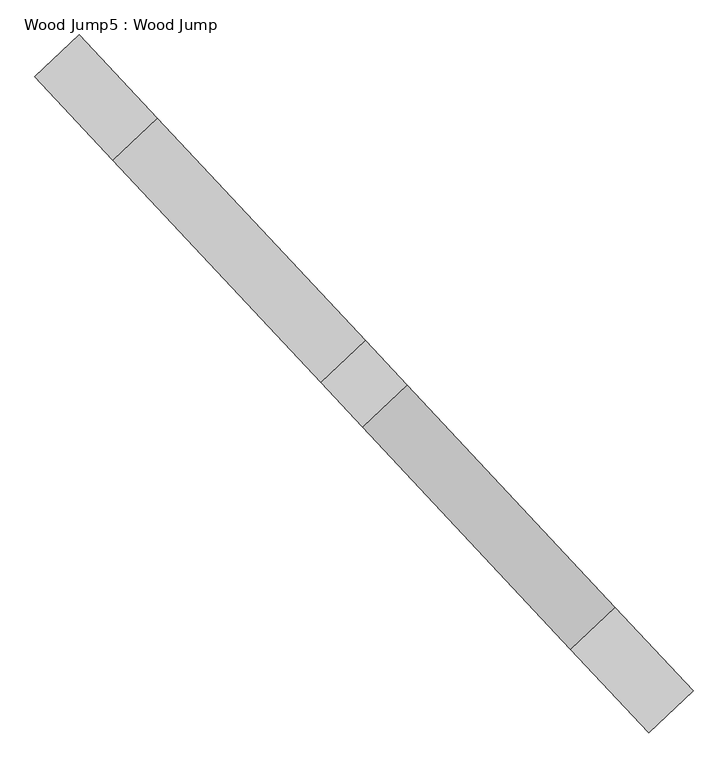
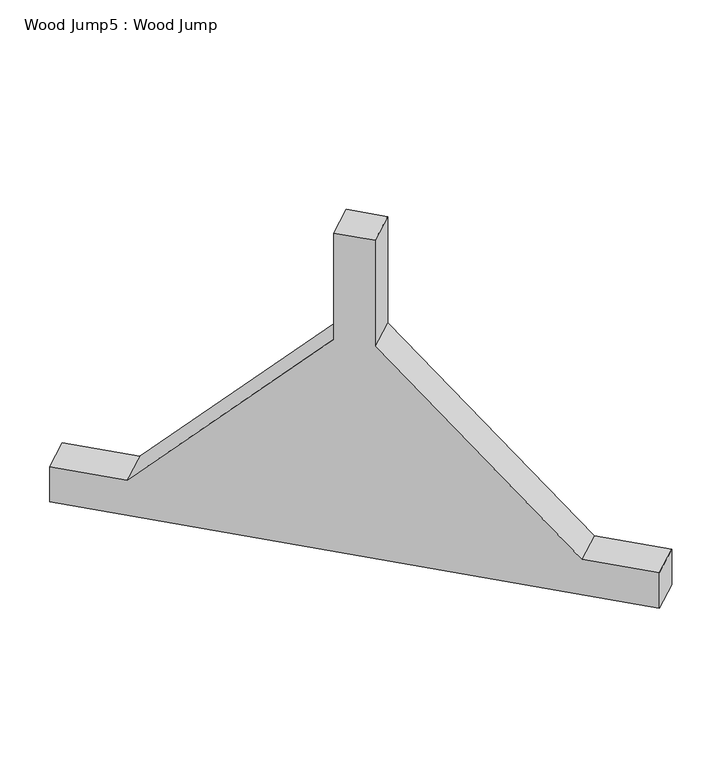
"""IFC4 building model written with IfcOpenShell, lengths in millimetres: proxy geometry, Wood Jump5 : Wood Jump."""

import ifcopenshell
import ifcopenshell.guid

model = None  # the IFC model being written
_history = None  # IfcOwnerHistory: only IFC2X3 demands one
_inside = {}  # id of a spatial element -> (the spatial element, [elements in it])
_under = {}  # id of a project, library or spatial element -> (it, [spatial elements below it])
_declared = {}  # id of a project -> (the project, [libraries it declares])
_typed = {}  # id of a type object -> (the type object, [elements of that type])
_made_of = {}  # id of a material, layer set ... -> (it, [elements and type objects made of it])


def new_model(schema):
    """Start an empty IFC model of exactly this schema.

    Asked for "IFC4X3", IfcOpenShell would pick the latest addendum, in which some entities
    have other attributes; the version numbers below select the first issue.
    IFC2X3 requires an IfcOwnerHistory on every rooted entity: one is made here for all.
    """
    global model, _history
    if schema == "IFC4X3":
        model = ifcopenshell.file(schema_version=(4, 3, 0, 0))
    else:
        model = ifcopenshell.file(schema=schema)
    _inside.clear()
    _under.clear()
    _declared.clear()
    _typed.clear()
    _made_of.clear()
    _history = None
    if model.schema == "IFC2X3":
        org = make("IfcOrganization", Name="unknown")
        user = make(
            "IfcPersonAndOrganization",
            ThePerson=make("IfcPerson", FamilyName="unknown"),
            TheOrganization=org,
        )
        app = make(
            "IfcApplication",
            ApplicationDeveloper=org,
            Version="unknown",
            ApplicationFullName="unknown",
            ApplicationIdentifier="unknown",
        )
        _history = make(
            "IfcOwnerHistory",
            OwningUser=user,
            OwningApplication=app,
            ChangeAction="ADDED",
            CreationDate=0,
        )
    return model


def make(cls, **values):
    """One entity of the class cls with the attributes given. An attribute that is None is left unset."""
    return model.create_entity(
        cls, **{name: value for name, value in values.items() if value is not None}
    )


def rooted(cls, **values):
    """An entity with a GlobalId (a new one), such as an element, a storey or a relation."""
    return make(cls, GlobalId=ifcopenshell.guid.new(), OwnerHistory=_history, **values)


def si_unit(unit_type, name, prefix=None):
    """IfcSIUnit, for example si_unit("LENGTHUNIT", "METRE", prefix="MILLI")."""
    return make("IfcSIUnit", UnitType=unit_type, Prefix=prefix, Name=name)


def assignment(units):
    """IfcUnitAssignment: the units of a project."""
    return None if units is None else make("IfcUnitAssignment", Units=units)


def point(xyz):
    """IfcCartesianPoint."""
    return None if xyz is None else make("IfcCartesianPoint", Coordinates=xyz)


def direction(xyz):
    """IfcDirection."""
    return None if xyz is None else make("IfcDirection", DirectionRatios=xyz)


def frame(location, z_axis=None, x_axis=None):
    """IfcAxis2Placement3D, a coordinate frame: its origin and axes. An axis left out is left unset."""
    return make(
        "IfcAxis2Placement3D",
        Location=point(location),
        Axis=direction(z_axis),
        RefDirection=direction(x_axis),
    )


def origin():
    """The frame at (0, 0, 0) with its axes left unset."""
    return frame((0.0, 0.0, 0.0))


def place(relative_to, where):
    """IfcLocalPlacement: puts the frame where relative to a parent placement (None: the world)."""
    return make(
        "IfcLocalPlacement", PlacementRelTo=relative_to, RelativePlacement=where
    )


def context(
    kind, dimensions, precision=None, world=None, true_north=None, identifier=None
):
    """IfcGeometricRepresentationContext, for example the 3D "Model" context."""
    return make(
        "IfcGeometricRepresentationContext",
        ContextIdentifier=identifier,
        ContextType=kind,
        CoordinateSpaceDimension=dimensions,
        Precision=precision,
        WorldCoordinateSystem=world,
        TrueNorth=true_north,
    )


def project(units=None, contexts=None):
    """IfcProject with its units and contexts."""
    return rooted(
        "IfcProject",
        Name="project",
        RepresentationContexts=contexts,
        UnitsInContext=assignment(units),
    )


def spatial(cls, under=None, at=None, **own):
    """A site, building, storey or space (cls), placed at a placement, below another one or the project."""
    s = rooted(cls, ObjectPlacement=at, **own)
    if under is not None:
        _under.setdefault(under.id(), (under, []))[1].append(s)
    return s


def polyline(points):
    """IfcPolyline through the points."""
    return make("IfcPolyline", Points=[point(p) for p in points])


def outline(outer, holes=None, kind="AREA"):
    """IfcArbitraryClosedProfileDef: a profile drawn as a closed curve; with holes, ...WithVoids."""
    if holes is None:
        return make("IfcArbitraryClosedProfileDef", ProfileType=kind, OuterCurve=outer)
    return make(
        "IfcArbitraryProfileDefWithVoids",
        ProfileType=kind,
        OuterCurve=outer,
        InnerCurves=holes,
    )


def extrude(swept, where, along, depth):
    """IfcExtrudedAreaSolid: the profile swept, set in the frame where, extruded along a direction by depth."""
    return make(
        "IfcExtrudedAreaSolid",
        SweptArea=swept,
        Position=where,
        ExtrudedDirection=direction(along),
        Depth=depth,
    )


def shape(context_of_items, identifier, shape_type, items):
    """IfcShapeRepresentation: the items that make up one representation, for example the "Body"."""
    return make(
        "IfcShapeRepresentation",
        ContextOfItems=context_of_items,
        RepresentationIdentifier=identifier,
        RepresentationType=shape_type,
        Items=items,
    )


def source(mapping_origin, context_of_items, identifier, shape_type, items):
    """IfcRepresentationMap: a shape defined once, which mapped items show again and again."""
    return make(
        "IfcRepresentationMap",
        MappingOrigin=mapping_origin,
        MappedRepresentation=shape(context_of_items, identifier, shape_type, items),
    )


def transform(
    local_origin,
    x_axis=None,
    y_axis=None,
    z_axis=None,
    scale=None,
    scale2=None,
    scale3=None,
    uniform=True,
):
    """IfcCartesianTransformationOperator3D, or its non-uniform kind. x_axis, y_axis, z_axis: its Axis1, 2, 3."""
    if uniform:
        return make(
            "IfcCartesianTransformationOperator3D",
            Axis1=direction(x_axis),
            Axis2=direction(y_axis),
            LocalOrigin=point(local_origin),
            Scale=scale,
            Axis3=direction(z_axis),
        )
    return make(
        "IfcCartesianTransformationOperator3DnonUniform",
        Axis1=direction(x_axis),
        Axis2=direction(y_axis),
        LocalOrigin=point(local_origin),
        Scale=scale,
        Axis3=direction(z_axis),
        Scale2=scale2,
        Scale3=scale3,
    )


def mapped(mapping_source, mapping_target):
    """IfcMappedItem: shows the shape of a source again, moved by a transform."""
    return make(
        "IfcMappedItem", MappingSource=mapping_source, MappingTarget=mapping_target
    )


def made_of(thing, what):
    """Note that an element or type object is made of a material, layer set ...; save() writes the relation."""
    if what is not None:
        _made_of.setdefault(what.id(), (what, []))[1].append(thing)
    return thing


def element(
    cls,
    number,
    at=None,
    inside=None,
    cuts=None,
    type_object=None,
    material=None,
    context=None,
    identifier="Body",
    shape_type=None,
    held_by="IfcProductDefinitionShape",
    body=None,
    shapes=None,
    **own,
):
    """One element of the class cls, such as IfcWall. Its Tag is "e" and its number.

    at: its placement. inside: the storey or other place that contains it. cuts: it is an
    opening in that element (IfcRelVoidsElement). A single representation is given by context,
    identifier, shape_type and body (its items); several are given by shapes. held_by: the class
    of the entity that holds the representations. save() writes the other relations.
    """
    e = rooted(cls, Tag="e%d" % number, ObjectPlacement=at, **own)
    if body is not None:
        shapes = [shape(context, identifier, shape_type, body)]
    if shapes is not None:
        e.Representation = make(held_by, Representations=shapes)
    if inside is not None:
        _inside.setdefault(inside.id(), (inside, []))[1].append(e)
    if cuts is not None:
        rooted(
            "IfcRelVoidsElement", RelatingBuildingElement=cuts, RelatedOpeningElement=e
        )
    if type_object is not None:
        _typed.setdefault(type_object.id(), (type_object, []))[1].append(e)
    return made_of(e, material)


def aggregate(whole, parts):
    """IfcRelAggregates: a whole, such as a stair, and the parts it consists of."""
    return rooted("IfcRelAggregates", RelatingObject=whole, RelatedObjects=parts)


def save(model, path):
    """Write the relations noted so far, then the file.

    IfcRelAggregates (storeys below a building ...), IfcRelContainedInSpatialStructure (elements
    in a storey), IfcRelDefinesByType, IfcRelAssociatesMaterial and IfcRelDeclares: one each for
    every whole, place, type object, material and project.
    """
    for whole, parts in _under.values():
        aggregate(whole, parts)
    for where, things in _inside.values():
        rooted(
            "IfcRelContainedInSpatialStructure",
            RelatedElements=things,
            RelatingStructure=where,
        )
    for kind, things in _typed.values():
        rooted("IfcRelDefinesByType", RelatedObjects=things, RelatingType=kind)
    for what, things in _made_of.values():
        rooted("IfcRelAssociatesMaterial", RelatedObjects=things, RelatingMaterial=what)
    for by, libraries in _declared.values():
        rooted("IfcRelDeclares", RelatingContext=by, RelatedDefinitions=libraries)
    model.write(path)


def wood_jump5_wood_jump_4a979ffe(model_context):
    return source(origin(), model_context, "Body", "SweptSolid", [
        extrude(outline(polyline([(0.0, 0.0), (101.6, 0.0), (101.6, -190.5), (609.6, -698.5), (914.4, -698.5), (914.4, -800.1), (609.6, -800.1), (101.6, -1308.1), (101.6, -1498.5999999), (0.0, -1498.5999999), (0.0, 0.0)])), frame((139928.4207025, 11180.3765365, 0.0), z_axis=(0.7302390942698622, 0.6831916753005203, 0.0), x_axis=(0.0, 0.0, 1.0)), (0.0, 0.0, 1.0), 101.6),
    ])


if __name__ == "__main__":
    model = new_model("IFC4")
    model_context = context("Model", 3, world=origin())
    ifc_project = project(units=[si_unit("LENGTHUNIT", "METRE", prefix="MILLI")], contexts=[model_context])
    site = spatial("IfcSite", under=ifc_project)
    building = spatial("IfcBuilding", under=site)
    placement = place(None, origin())
    wood_jump5_wood_jump_shape = wood_jump5_wood_jump_4a979ffe(model_context)
    element("IfcBuildingElementProxy", 1, Name="Wood Jump5 : Wood Jump", ObjectType="Wood Jump5 : Wood Jump", at=placement, inside=building, context=model_context, shape_type="MappedRepresentation", body=[
        mapped(wood_jump5_wood_jump_shape, transform((0.0, 0.0, 0.0), x_axis=(1.0, 0.0, 0.0), y_axis=(0.0, 1.0, 0.0), z_axis=(0.0, 0.0, 1.0))),
    ])
    save(model, "model.ifc")
